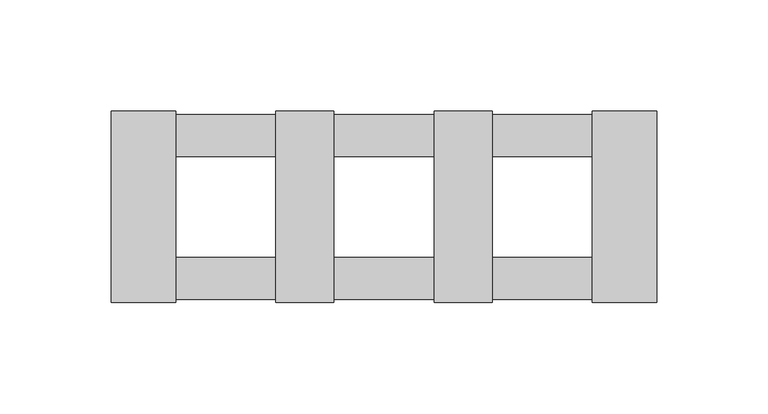
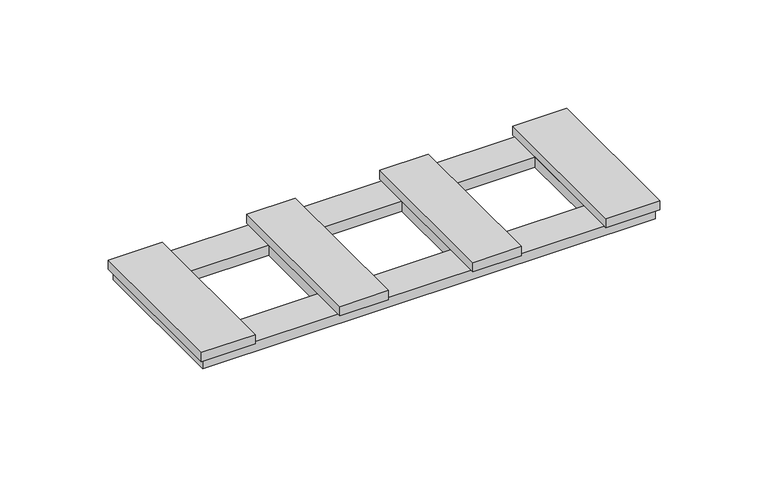
"""IFC4 building model written with IfcOpenShell, lengths in millimetres: proxy geometry."""

from ifc_helpers import new_model, si_unit, frame, origin, origin_with_axes, place, context, project, spatial, polyline, outline, extrude, source, transform, mapped, element, save


def electrical_fixtures_0ef79550(model_context):
    return source(origin(), model_context, "Body", "SweptSolid", [
        extrude(outline(polyline([(-48.5, -43.0), (-48.5, 43.0), (-22.5, 43.0), (-22.5, -43.0), (-48.5, -43.0)])), frame((0.0, 0.0, 5.5), z_axis=(0.0, 0.0, 1.0), x_axis=(1.0, 0.0, 0.0)), (0.0, 0.0, 1.0), 5.2),
        extrude(outline(polyline([(-122.4, -43.0), (-122.4, 43.0), (-93.5, 43.0), (-93.5, -43.0), (-122.4, -43.0)])), frame((0.0, 0.0, 5.5), z_axis=(0.0, 0.0, 1.0), x_axis=(1.0, 0.0, 0.0)), (0.0, 0.0, 1.0), 5.2),
        extrude(outline(polyline([(22.5, -43.0), (22.5, 43.0), (48.5, 43.0), (48.5, -43.0), (22.5, -43.0)])), frame((0.0, 0.0, 5.5), z_axis=(0.0, 0.0, 1.0), x_axis=(1.0, 0.0, 0.0)), (0.0, 0.0, 1.0), 5.2),
        extrude(outline(polyline([(120.7, 41.5), (120.7, -41.5), (-120.6718172, -41.5), (-120.6718172, 41.5), (120.7, 41.5)]), holes=[polyline([(-48.5, 22.5), (-93.5, 22.5), (-93.5, -22.5), (-48.5, -22.5), (-48.5, 22.5)]), polyline([(-22.5, 22.5), (-22.5, -22.5), (22.5, -22.5), (22.5, 22.5), (-22.5, 22.5)]), polyline([(48.5, 22.5), (48.5, -22.5), (93.5, -22.5), (93.5, 22.5), (48.5, 22.5)])]), origin_with_axes(), (0.0, 0.0, 1.0), 5.5),
        extrude(outline(polyline([(122.4, -43.0), (93.5, -43.0), (93.5, 43.0), (122.4, 43.0), (122.4, -43.0)])), frame((0.0, 0.0, 5.5), z_axis=(0.0, 0.0, 1.0), x_axis=(1.0, 0.0, 0.0)), (0.0, 0.0, 1.0), 5.2),
    ])


if __name__ == "__main__":
    model = new_model("IFC4")
    model_context = context("Model", 3, world=origin())
    ifc_project = project(units=[si_unit("LENGTHUNIT", "METRE", prefix="MILLI")], contexts=[model_context])
    site = spatial("IfcSite", under=ifc_project)
    building = spatial("IfcBuilding", under=site)
    placement = place(None, origin())
    electrical_fixtures_shape = electrical_fixtures_0ef79550(model_context)
    element("IfcBuildingElementProxy", 1, Name="Electrical Fixtures", at=placement, inside=building, context=model_context, shape_type="MappedRepresentation", body=[
        mapped(electrical_fixtures_shape, transform((0.0, 0.0, 0.0), x_axis=(1.0, 0.0, 0.0), y_axis=(0.0, 1.0, 0.0), z_axis=(0.0, 0.0, 1.0))),
    ])
    save(model, "model.ifc")
